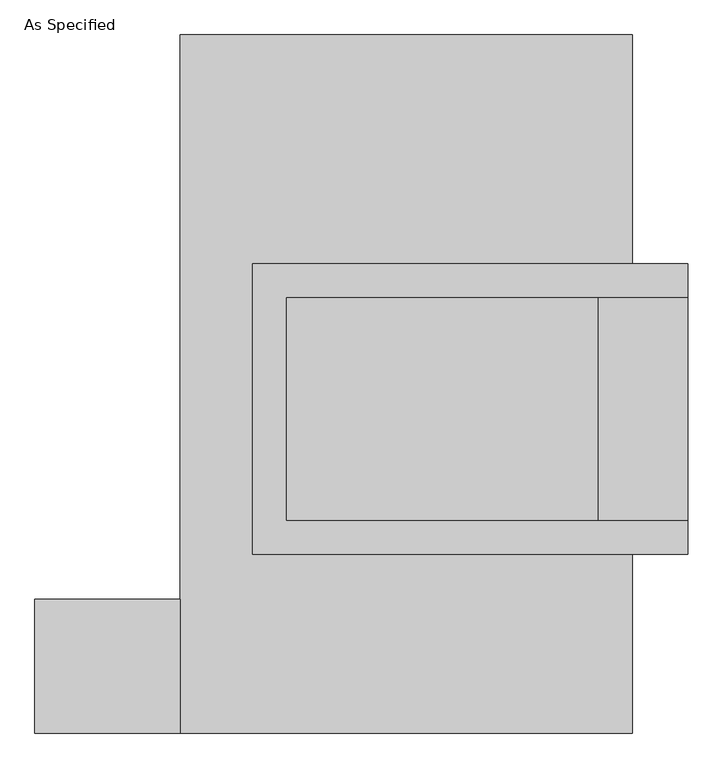
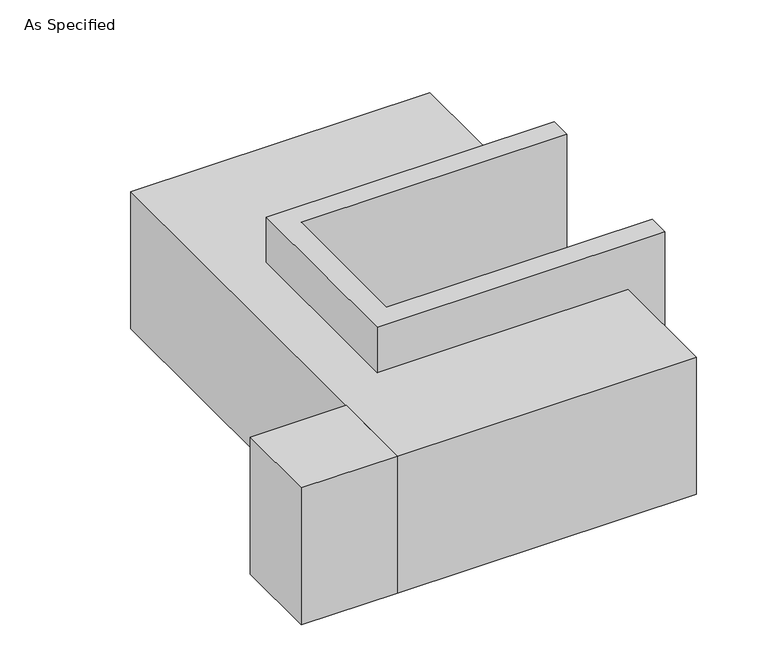
"""IFC4 building model written with IfcOpenShell, lengths in millimetres: proxy geometry, As Specified."""

from ifc_helpers import new_model, si_unit, frame, origin, place, context, project, spatial, polyline, outline, extrude, faceted_brep, source, transform, mapped, element, save


def as_specified_825613b6(model_context):
    return source(origin(), model_context, "Body", "SolidModel", [
        extrude(outline(polyline([(-514.35, -793.75), (-844.55, -793.75), (-844.55, -488.95), (-514.35, -488.95), (-514.35, -793.75)])), frame((0.0, 0.0, -523.9742188), z_axis=(0.0, 0.0, 1.0), x_axis=(1.0, 0.0, 0.0)), (0.0, 0.0, 1.0), 498.5742187),
        faceted_brep([(-349.25, 273.05, 139.7), (-349.25, 273.05, -393.7), (-349.25, 196.85, -393.7), (-349.25, 196.85, -25.4), (-349.25, -311.15, -25.4), (-349.25, -311.15, -393.7), (-349.25, -387.35, -393.7), (-349.25, -387.35, 139.7), (641.35, 196.85, 139.7), (641.35, 196.85, -317.5), (641.35, -311.15, -317.5), (641.35, -311.15, 139.7), (641.35, -387.35, 139.7), (641.35, -387.35, -393.7), (641.35, 273.05, -393.7), (641.35, 273.05, 139.7), (-273.05, -311.15, 139.7), (-273.05, 196.85, 139.7), (438.15, -311.15, -393.7), (438.15, 196.85, -393.7), (438.15, -311.15, -317.5), (-273.05, -311.15, -25.4), (438.15, 196.85, -317.5), (-273.05, 196.85, -25.4)], [[[0, 1, 2, 3, 4, 5, 6, 7]], [[8, 9, 10, 11, 12, 13, 14, 15]], [[0, 7, 12, 11, 16, 17, 8, 15]], [[1, 0, 15, 14]], [[14, 13, 6, 5, 18, 19, 2, 1]], [[7, 6, 13, 12]], [[11, 10, 20, 18, 5, 4, 21, 16]], [[10, 9, 22, 20]], [[9, 8, 17, 23, 3, 2, 19, 22]], [[18, 20, 22, 19]], [[23, 21, 4, 3]], [[17, 16, 21, 23]]]),
        faceted_brep([(-514.35, 793.75, -523.9742188), (514.35, 793.75, -523.9742188), (514.35, -793.75, -523.9742188), (-514.35, -793.75, -523.9742188), (514.35, 793.75, -25.4), (-514.35, 793.75, -25.4), (-514.35, -793.75, -25.4), (514.35, -793.75, -25.4), (514.35, -387.35, -25.4), (-349.25, -387.35, -25.4), (-349.25, 273.05, -25.4), (514.35, 273.05, -25.4), (514.35, 273.05, -393.7), (514.35, -387.35, -393.7), (-349.25, -387.35, -393.7), (-349.25, 273.05, -393.7)], [[[0, 1, 2, 3]], [[4, 5, 6, 7, 8, 9, 10, 11]], [[1, 0, 5, 4]], [[5, 0, 3, 6]], [[1, 4, 11, 12, 13, 8, 7, 2]], [[3, 2, 7, 6]], [[14, 15, 10, 9]], [[10, 15, 12, 11]], [[15, 14, 13, 12]], [[14, 9, 8, 13]]]),
    ])


if __name__ == "__main__":
    model = new_model("IFC4")
    model_context = context("Model", 3, world=origin())
    ifc_project = project(units=[si_unit("LENGTHUNIT", "METRE", prefix="MILLI")], contexts=[model_context])
    site = spatial("IfcSite", under=ifc_project)
    building = spatial("IfcBuilding", under=site)
    placement = place(None, origin())
    as_specified_shape = as_specified_825613b6(model_context)
    element("IfcBuildingElementProxy", 1, Name="As Specified", ObjectType="As Specified", at=placement, inside=building, context=model_context, shape_type="MappedRepresentation", body=[
        mapped(as_specified_shape, transform((0.0, 0.0, 0.0), x_axis=(1.0, 0.0, 0.0), y_axis=(0.0, 1.0, 0.0), z_axis=(0.0, 0.0, 1.0))),
    ])
    save(model, "model.ifc")
